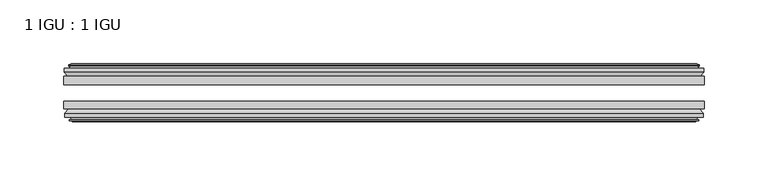
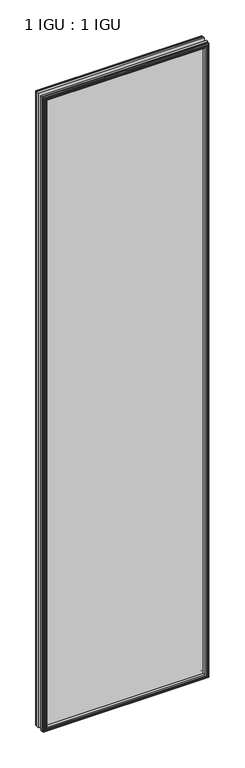
"""IFC4 building model written with IfcOpenShell, lengths in millimetres: plate geometry, 1 IGU : 1 IGU."""

from ifc_helpers import new_model, si_unit, frame, origin, place, context, project, spatial, polyline, outline, extrude, faceted_brep, source, transform, mapped, element, save


def plate_1_igu_1_igu_7c59ce59(model_context):
    return source(origin(), model_context, "Body", "SolidModel", [
        extrude(outline(polyline([(250.2202884, -25.8960937), (250.2202884, -32.2460938), (-250.2202884, -32.2460938), (-250.2202884, -25.8960937), (250.2202884, -25.8960937)])), frame((0.0, 0.0, -12.7), z_axis=(0.0, 0.0, 1.0), x_axis=(1.0, 0.0, 0.0)), (0.0, 0.0, 1.0), 2019.3),
        extrude(outline(polyline([(-250.2202884, -51.2960938), (-250.2202884, -45.2686737), (250.2202884, -45.2686737), (250.2202884, -51.2960938), (-250.2202884, -51.2960938)])), frame((0.0, 0.0, -12.7), z_axis=(0.0, 0.0, 1.0), x_axis=(1.0, 0.0, 0.0)), (0.0, 0.0, 1.0), 2019.3),
        faceted_brep([(-244.6322884, -60.0262907, 2001.012), (-245.0132884, -57.6460937, 2001.393), (-245.0132884, -57.6460937, -7.493), (-244.6322884, -60.0262907, -7.112), (-246.0478174, -59.5663575, 2002.4275291), (-246.0478174, -59.5663575, -8.5275291), (-246.0478174, -60.3675717, 2002.4275291), (-246.0478174, -60.3675717, -8.5275291), (-243.8702884, -61.0750937, 2000.25), (-243.8702884, -61.0750937, -6.35), (-241.6927593, -60.3675717, 1998.0724709), (-241.6927593, -60.3675717, -4.1724709), (-241.6927593, -59.5663575, 1998.0724709), (-241.6927593, -59.5663575, -4.1724709), (-243.1082884, -60.0262907, 1999.488), (-243.1082884, -60.0262907, -5.588), (-242.7272884, -57.6460937, 1999.107), (-242.7272884, -57.6460937, -5.207), (-235.8025703, -51.2960937, 1992.1822819), (-237.5202884, -57.6460937, 1993.9), (-237.5202884, -57.6460937, 0.0), (-235.8025703, -51.2960937, 1.7177181), (-249.4582884, -54.6996937, 2005.838), (-246.6239462, -51.2960937, 2003.0036578), (-246.6239462, -51.2960937, -9.1036578), (-249.4582884, -54.6996937, -11.938), (-249.4582884, -57.6460937, 2005.838), (-249.4582884, -57.6460937, -11.938), (245.0132884, -57.6460938, -7.493), (244.6322884, -60.0262907, -7.112), (246.0478174, -59.5663575, -8.5275291), (246.0478174, -60.3675717, -8.5275291), (243.8702884, -61.0750937, -6.35), (241.6927593, -60.3675717, -4.1724709), (241.6927593, -59.5663575, -4.1724709), (243.1082884, -60.0262907, -5.588), (242.7272884, -57.6460937, -5.207), (237.5202884, -57.6460937, 0.0), (235.8025703, -51.2960937, 1.7177181), (246.6239462, -51.2960937, -9.1036578), (249.4582884, -54.6996937, -11.938), (249.4582884, -57.6460938, -11.938), (245.0132884, -57.6460938, 2001.393), (244.6322884, -60.0262907, 2001.012), (246.0478174, -59.5663575, 2002.4275291), (246.0478174, -60.3675717, 2002.4275291), (243.8702884, -61.0750937, 2000.25), (241.6927593, -60.3675717, 1998.0724709), (241.6927593, -59.5663575, 1998.0724709), (243.1082884, -60.0262907, 1999.488), (242.7272884, -57.6460937, 1999.107), (237.5202884, -57.6460937, 1993.9), (235.8025703, -51.2960937, 1992.1822819), (246.6239462, -51.2960937, 2003.0036578), (249.4582884, -54.6996937, 2005.838), (249.4582884, -57.6460938, 2005.838)], [[[0, 1, 2, 3]], [[4, 0, 3, 5]], [[6, 4, 5, 7]], [[8, 6, 7, 9]], [[10, 8, 9, 11]], [[12, 10, 11, 13]], [[14, 12, 13, 15]], [[16, 14, 15, 17]], [[18, 19, 20, 21]], [[22, 23, 24, 25]], [[26, 22, 25, 27]], [[3, 2, 28, 29]], [[5, 3, 29, 30]], [[7, 5, 30, 31]], [[9, 7, 31, 32]], [[11, 9, 32, 33]], [[13, 11, 33, 34]], [[15, 13, 34, 35]], [[17, 15, 35, 36]], [[21, 20, 37, 38]], [[25, 24, 39, 40]], [[27, 25, 40, 41]], [[29, 28, 42, 43]], [[30, 29, 43, 44]], [[31, 30, 44, 45]], [[32, 31, 45, 46]], [[33, 32, 46, 47]], [[34, 33, 47, 48]], [[35, 34, 48, 49]], [[36, 35, 49, 50]], [[38, 37, 51, 52]], [[40, 39, 53, 54]], [[41, 40, 54, 55]], [[27, 41, 55, 26], [1, 42, 28, 2]], [[43, 42, 1, 0]], [[44, 43, 0, 4]], [[45, 44, 4, 6]], [[46, 45, 6, 8]], [[47, 46, 8, 10]], [[48, 47, 10, 12]], [[49, 48, 12, 14]], [[50, 49, 14, 16]], [[17, 36, 50, 16], [19, 51, 37, 20]], [[52, 51, 19, 18]], [[23, 53, 39, 24], [21, 38, 52, 18]], [[54, 53, 23, 22]], [[55, 54, 22, 26]]]),
        faceted_brep([(-247.1446462, -25.8960937, 2003.5243578), (-249.9789884, -22.4924937, 2006.3587), (-249.9789884, -22.4924937, -12.4587), (-247.1446462, -25.8960937, -9.6243578), (-238.0409884, -19.5460937, 1994.4207), (-236.3232703, -25.8960937, 1992.7029819), (-236.3232703, -25.8960937, 1.1970181), (-238.0409884, -19.5460937, -0.5207), (-243.6289884, -17.1658968, 2000.0087), (-243.2479884, -19.5460937, 1999.6277), (-243.2479884, -19.5460937, -5.7277), (-243.6289884, -17.1658968, -6.1087), (-242.2134593, -17.62583, 1998.5931709), (-242.2134593, -17.62583, -4.6931709), (-242.2134593, -16.8246158, 1998.5931709), (-242.2134593, -16.8246158, -4.6931709), (-244.3909884, -16.1170937, 2000.7707), (-244.3909884, -16.1170937, -6.8707), (-246.5685174, -16.8246158, 2002.9482291), (-246.5685174, -16.8246158, -9.0482291), (-246.5685174, -17.62583, 2002.9482291), (-246.5685174, -17.62583, -9.0482291), (-245.1529884, -17.1658968, 2001.5327), (-245.1529884, -17.1658968, -7.6327), (-245.5339884, -19.5460937, 2001.9137), (-245.5339884, -19.5460937, -8.0137), (-249.9789884, -19.5460937, 2006.3587), (-249.9789884, -19.5460937, -12.4587), (249.9789884, -22.4924937, -12.4587), (247.1446462, -25.8960937, -9.6243578), (236.3232703, -25.8960937, 1.1970181), (238.0409884, -19.5460937, -0.5207), (243.2479884, -19.5460937, -5.7277), (243.6289884, -17.1658968, -6.1087), (242.2134593, -17.62583, -4.6931709), (242.2134593, -16.8246158, -4.6931709), (244.3909884, -16.1170937, -6.8707), (246.5685174, -16.8246158, -9.0482291), (246.5685174, -17.62583, -9.0482291), (245.1529884, -17.1658968, -7.6327), (245.5339884, -19.5460937, -8.0137), (249.9789884, -19.5460937, -12.4587), (249.9789884, -22.4924937, 2006.3587), (247.1446462, -25.8960937, 2003.5243578), (236.3232703, -25.8960937, 1992.7029819), (238.0409884, -19.5460937, 1994.4207), (243.2479884, -19.5460937, 1999.6277), (243.6289884, -17.1658968, 2000.0087), (242.2134593, -17.62583, 1998.5931709), (242.2134593, -16.8246158, 1998.5931709), (244.3909884, -16.1170937, 2000.7707), (246.5685174, -16.8246158, 2002.9482291), (246.5685174, -17.62583, 2002.9482291), (245.1529884, -17.1658968, 2001.5327), (245.5339884, -19.5460937, 2001.9137), (249.9789884, -19.5460937, 2006.3587)], [[[0, 1, 2, 3]], [[4, 5, 6, 7]], [[8, 9, 10, 11]], [[12, 8, 11, 13]], [[14, 12, 13, 15]], [[16, 14, 15, 17]], [[18, 16, 17, 19]], [[20, 18, 19, 21]], [[22, 20, 21, 23]], [[24, 22, 23, 25]], [[1, 26, 27, 2]], [[3, 2, 28, 29]], [[7, 6, 30, 31]], [[11, 10, 32, 33]], [[13, 11, 33, 34]], [[15, 13, 34, 35]], [[17, 15, 35, 36]], [[19, 17, 36, 37]], [[21, 19, 37, 38]], [[23, 21, 38, 39]], [[25, 23, 39, 40]], [[2, 27, 41, 28]], [[29, 28, 42, 43]], [[31, 30, 44, 45]], [[33, 32, 46, 47]], [[34, 33, 47, 48]], [[35, 34, 48, 49]], [[36, 35, 49, 50]], [[37, 36, 50, 51]], [[38, 37, 51, 52]], [[39, 38, 52, 53]], [[40, 39, 53, 54]], [[28, 41, 55, 42]], [[43, 42, 1, 0]], [[3, 29, 43, 0], [5, 44, 30, 6]], [[45, 44, 5, 4]], [[9, 46, 32, 10], [7, 31, 45, 4]], [[47, 46, 9, 8]], [[48, 47, 8, 12]], [[49, 48, 12, 14]], [[50, 49, 14, 16]], [[51, 50, 16, 18]], [[52, 51, 18, 20]], [[53, 52, 20, 22]], [[54, 53, 22, 24]], [[26, 55, 41, 27], [25, 40, 54, 24]], [[42, 55, 26, 1]]]),
    ])


if __name__ == "__main__":
    model = new_model("IFC4")
    model_context = context("Model", 3, world=origin())
    ifc_project = project(units=[si_unit("LENGTHUNIT", "METRE", prefix="MILLI")], contexts=[model_context])
    site = spatial("IfcSite", under=ifc_project)
    building = spatial("IfcBuilding", under=site)
    placement = place(None, origin())
    plate_1_igu_1_igu_shape = plate_1_igu_1_igu_7c59ce59(model_context)
    element("IfcPlate", 1, ObjectType="1 IGU : 1 IGU", at=placement, inside=building, context=model_context, shape_type="MappedRepresentation", body=[
        mapped(plate_1_igu_1_igu_shape, transform((0.0, 0.0, 0.0), x_axis=(1.0, 0.0, 0.0), y_axis=(0.0, 1.0, 0.0), z_axis=(0.0, 0.0, 1.0))),
    ])
    save(model, "model.ifc")
